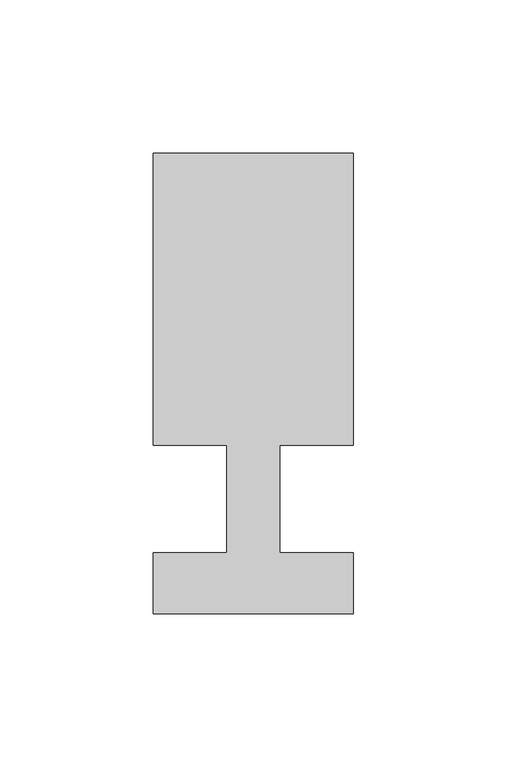
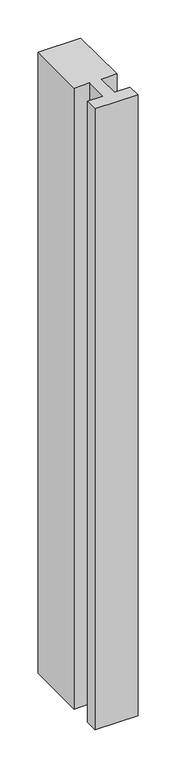
"""IFC4 building model written with IfcOpenShell, lengths in millimetres: member geometry."""

from ifc_helpers import new_model, si_unit, frame, origin, place, context, project, spatial, polyline, outline, extrude, source, transform, mapped, element, save


def member_0bf0ce07(model_context):
    return source(origin(), model_context, "Body", "SweptSolid", [
        extrude(outline(polyline([(0.0, -37.0), (-65.0, -37.0), (-65.0, -17.0), (-41.1875, -17.0), (-41.1875, 18.0), (-65.0, 18.0), (-65.0, 113.0), (0.0, 113.0), (0.0, 18.0), (-23.8125, 18.0), (-23.8125, -17.0), (0.0, -17.0), (0.0, -37.0)])), frame((0.0, 0.0, -995.7142857), z_axis=(0.0, 0.0, 1.0), x_axis=(1.0, 0.0, 0.0)), (0.0, 0.0, 1.0), 995.7142857),
    ])


if __name__ == "__main__":
    model = new_model("IFC4")
    model_context = context("Model", 3, world=origin())
    ifc_project = project(units=[si_unit("LENGTHUNIT", "METRE", prefix="MILLI")], contexts=[model_context])
    site = spatial("IfcSite", under=ifc_project)
    building = spatial("IfcBuilding", under=site)
    placement = place(None, origin())
    member_shape = member_0bf0ce07(model_context)
    element("IfcMember", 1, at=placement, inside=building, context=model_context, shape_type="MappedRepresentation", body=[
        mapped(member_shape, transform((0.0, 0.0, 0.0), x_axis=(1.0, 0.0, 0.0), y_axis=(0.0, 1.0, 0.0), z_axis=(0.0, 0.0, 1.0))),
    ])
    save(model, "model.ifc")
